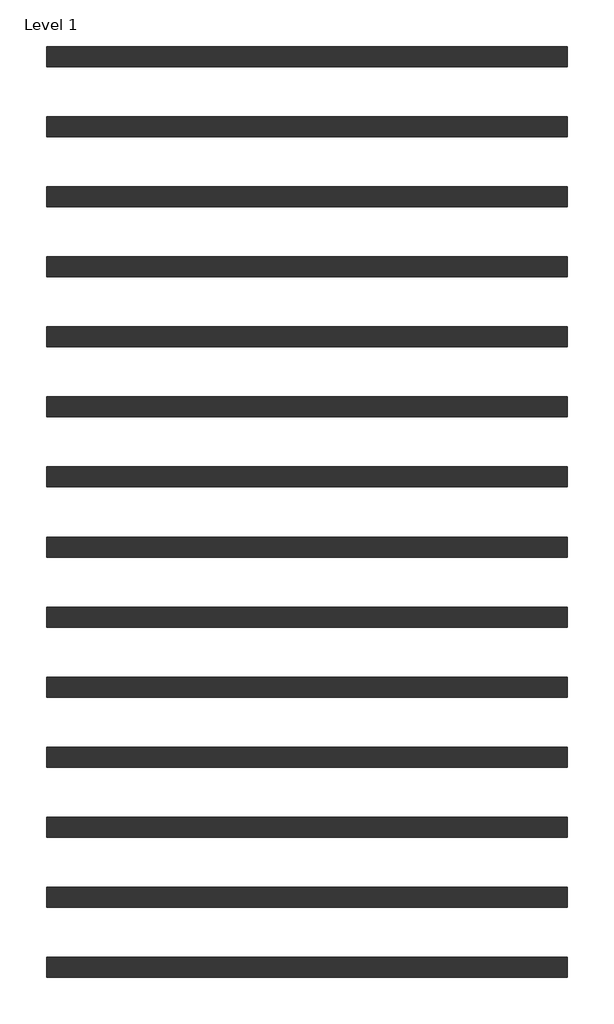
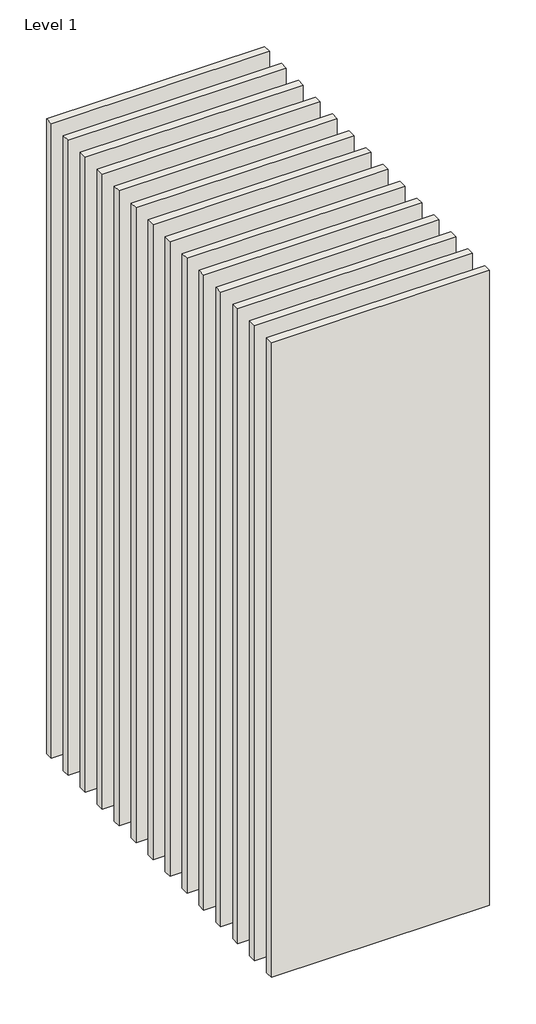
# One storey: 14 walls.
"""IFC4 building model written with IfcOpenShell, lengths in millimetres."""

from ifc_helpers import new_model, si_unit, origin, origin_with_axes, place, context, project, spatial, polyline, outline, extrude, element, save

model = new_model("IFC4")

# Units and contexts
model_context = context("Model", 3, world=origin())
ifc_project = project(units=[si_unit("LENGTHUNIT", "METRE", prefix="MILLI")], contexts=[model_context])

# Site, building, storey
site = spatial("IfcSite", under=ifc_project)
building = spatial("IfcBuilding", under=site)
storey = spatial("IfcBuildingStorey", under=building, Name="Level 1", Elevation=0.0)

# Walls
placement = place(None, origin())
element("IfcWall", 1, at=placement, inside=storey, context=model_context, shape_type="SweptSolid", body=[
    extrude(outline(polyline([(-16904.1464237, 4386.4042935), (-19504.1464237, 4386.4042935), (-19504.1464237, 4486.4042935), (-16904.1464237, 4486.4042935), (-16904.1464237, 4386.4042935)])), origin_with_axes(), (0.0, 0.0, 1.0), 8000.0),
])
element("IfcWall", 2, at=placement, inside=storey, context=model_context, shape_type="SweptSolid", body=[
    extrude(outline(polyline([(-16904.1464237, 5436.4042935), (-19504.1464237, 5436.4042935), (-19504.1464237, 5536.4042935), (-16904.1464237, 5536.4042935), (-16904.1464237, 5436.4042935)])), origin_with_axes(), (0.0, 0.0, 1.0), 8000.0),
])
element("IfcWall", 3, at=placement, inside=storey, context=model_context, shape_type="SweptSolid", body=[
    extrude(outline(polyline([(-16904.1464237, 4036.4042935), (-19504.1464237, 4036.4042935), (-19504.1464237, 4136.4042935), (-16904.1464237, 4136.4042935), (-16904.1464237, 4036.4042935)])), origin_with_axes(), (0.0, 0.0, 1.0), 8000.0),
])
element("IfcWall", 4, at=placement, inside=storey, context=model_context, shape_type="SweptSolid", body=[
    extrude(outline(polyline([(-16904.1464237, 3686.4042935), (-19504.1464237, 3686.4042935), (-19504.1464237, 3786.4042935), (-16904.1464237, 3786.4042935), (-16904.1464237, 3686.4042935)])), origin_with_axes(), (0.0, 0.0, 1.0), 8000.0),
])
element("IfcWall", 5, at=placement, inside=storey, context=model_context, shape_type="SweptSolid", body=[
    extrude(outline(polyline([(-16904.1464237, 5786.4042935), (-19504.1464237, 5786.4042935), (-19504.1464237, 5886.4042935), (-16904.1464237, 5886.4042935), (-16904.1464237, 5786.4042935)])), origin_with_axes(), (0.0, 0.0, 1.0), 8000.0),
])
element("IfcWall", 6, at=placement, inside=storey, context=model_context, shape_type="SweptSolid", body=[
    extrude(outline(polyline([(-16904.1464237, 5086.4042935), (-19504.1464237, 5086.4042935), (-19504.1464237, 5186.4042935), (-16904.1464237, 5186.4042935), (-16904.1464237, 5086.4042935)])), origin_with_axes(), (0.0, 0.0, 1.0), 8000.0),
])
element("IfcWall", 7, at=placement, inside=storey, context=model_context, shape_type="SweptSolid", body=[
    extrude(outline(polyline([(-16904.1464237, 1936.4042935), (-19504.1464237, 1936.4042935), (-19504.1464237, 2036.4042935), (-16904.1464237, 2036.4042935), (-16904.1464237, 1936.4042935)])), origin_with_axes(), (0.0, 0.0, 1.0), 8000.0),
])
element("IfcWall", 8, at=placement, inside=storey, context=model_context, shape_type="SweptSolid", body=[
    extrude(outline(polyline([(-16904.1464237, 2986.4042935), (-19504.1464237, 2986.4042935), (-19504.1464237, 3086.4042935), (-16904.1464237, 3086.4042935), (-16904.1464237, 2986.4042935)])), origin_with_axes(), (0.0, 0.0, 1.0), 8000.0),
])
element("IfcWall", 9, at=placement, inside=storey, context=model_context, shape_type="SweptSolid", body=[
    extrude(outline(polyline([(-16904.1464237, 1586.4042935), (-19504.1464237, 1586.4042935), (-19504.1464237, 1686.4042935), (-16904.1464237, 1686.4042935), (-16904.1464237, 1586.4042935)])), origin_with_axes(), (0.0, 0.0, 1.0), 8000.0),
])
element("IfcWall", 10, at=placement, inside=storey, context=model_context, shape_type="SweptSolid", body=[
    extrude(outline(polyline([(-16904.1464237, 1236.4042935), (-19504.1464237, 1236.4042935), (-19504.1464237, 1336.4042935), (-16904.1464237, 1336.4042935), (-16904.1464237, 1236.4042935)])), origin_with_axes(), (0.0, 0.0, 1.0), 8000.0),
])
element("IfcWall", 11, at=placement, inside=storey, context=model_context, shape_type="SweptSolid", body=[
    extrude(outline(polyline([(-16904.1464237, 3336.4042935), (-19504.1464237, 3336.4042935), (-19504.1464237, 3436.4042935), (-16904.1464237, 3436.4042935), (-16904.1464237, 3336.4042935)])), origin_with_axes(), (0.0, 0.0, 1.0), 8000.0),
])
element("IfcWall", 12, at=placement, inside=storey, context=model_context, shape_type="SweptSolid", body=[
    extrude(outline(polyline([(-16904.1464237, 2636.4042935), (-19504.1464237, 2636.4042935), (-19504.1464237, 2736.4042935), (-16904.1464237, 2736.4042935), (-16904.1464237, 2636.4042935)])), origin_with_axes(), (0.0, 0.0, 1.0), 8000.0),
])
element("IfcWall", 13, at=placement, inside=storey, context=model_context, shape_type="SweptSolid", body=[
    extrude(outline(polyline([(-16904.1464237, 4736.4042935), (-19504.1464237, 4736.4042935), (-19504.1464237, 4836.4042935), (-16904.1464237, 4836.4042935), (-16904.1464237, 4736.4042935)])), origin_with_axes(), (0.0, 0.0, 1.0), 8000.0),
])
element("IfcWall", 14, at=placement, inside=storey, context=model_context, shape_type="SweptSolid", body=[
    extrude(outline(polyline([(-16904.1464237, 2286.4042935), (-19504.1464237, 2286.4042935), (-19504.1464237, 2386.4042935), (-16904.1464237, 2386.4042935), (-16904.1464237, 2286.4042935)])), origin_with_axes(), (0.0, 0.0, 1.0), 8000.0),
])

save(model, "model.ifc")
